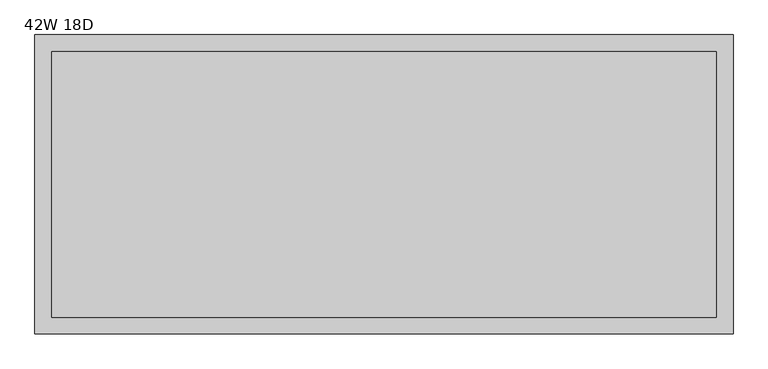
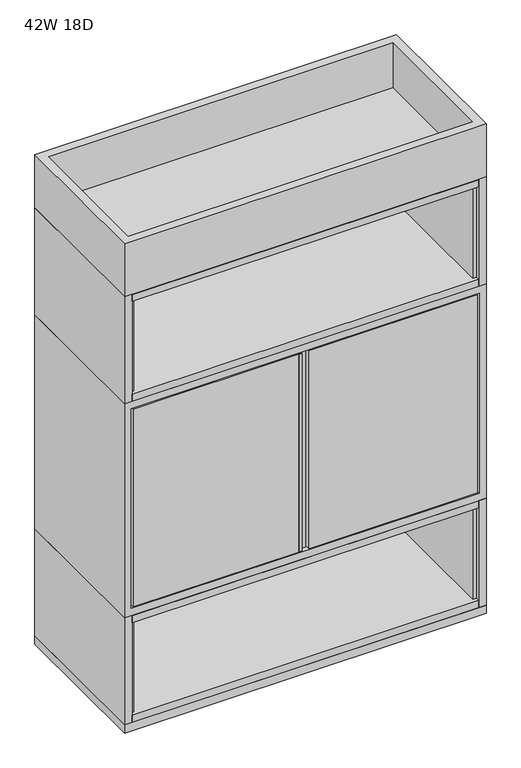
"""IFC4 building model written with IfcOpenShell, lengths in millimetres: furniture geometry, 42W 18D."""

from ifc_helpers import new_model, si_unit, frame, origin, origin_with_axes, place, context, project, spatial, polyline, outline, extrude, faceted_brep, source, transform, mapped, element, save


def furniture_42w_18d_bf7ccc89(model_context):
    return source(origin(), model_context, "Body", "SolidModel", [
        extrude(outline(polyline([(22.2249992, -10.9829958), (33.3501992, -10.9829958), (33.3501992, -446.1635518), (22.2249992, -446.1635518), (22.2249992, -10.9829958)])), frame((0.0, 0.0, 1047.75), z_axis=(0.0, 0.0, 1.0), x_axis=(1.0, 0.0, 0.0)), (0.0, 0.0, 1.0), 288.925),
        extrude(outline(polyline([(1033.4497758, -10.9829958), (1044.5749758, -10.9829958), (1044.5749758, -446.1635518), (1033.4497758, -446.1635518), (1033.4497758, -10.9829958)])), frame((0.0, 0.0, 1047.75), z_axis=(0.0, 0.0, 1.0), x_axis=(1.0, 0.0, 0.0)), (0.0, 0.0, 1.0), 288.925),
        extrude(outline(polyline([(22.2249992, 0.0), (1044.5749758, 0.0), (1044.5749758, -457.2), (22.2249992, -457.2), (22.2249992, 0.0)])), frame((0.0, 0.0, 1336.675), z_axis=(0.0, 0.0, 1.0), x_axis=(1.0, 0.0, 0.0)), (0.0, 0.0, 1.0), 21.4312258),
        extrude(outline(polyline([(22.2249992, 0.0), (1044.5749758, 0.0), (1044.5749758, -457.2), (22.2249992, -457.2), (22.2249992, 0.0)])), frame((0.0, 0.0, 1025.525), z_axis=(0.0, 0.0, 1.0), x_axis=(1.0, 0.0, 0.0)), (0.0, 0.0, 1.0), 22.225),
        extrude(outline(polyline([(0.0, -22.2249992), (0.0, 0.0), (457.2, 0.0), (457.2, -22.2249992), (0.0, -22.2249992)])), frame((22.2249992, 0.0, 1025.525), z_axis=(1.5489324636598933e-11, 0.0, 1.0), x_axis=(0.0, -1.0, 0.0)), (0.0, 0.0, 1.0), 333.375),
        extrude(outline(polyline([(1044.5749758, 0.0), (1066.8, 0.0), (1066.8, -457.2), (1044.5749758, -457.2), (1044.5749758, 0.0)])), frame((0.0, 0.0, 1025.525), z_axis=(0.0, 0.0, 1.0), x_axis=(1.0, 0.0, 0.0)), (0.0, 0.0, 1.0), 333.375),
        extrude(outline(polyline([(516.6641351, -457.2), (516.6641351, -442.2648), (517.5578941, -442.2648), (517.5578941, -456.3057436), (523.0141351, -456.3057436), (523.0141351, -457.2), (516.6641351, -457.2)])), frame((0.0, 0.0, 384.175), z_axis=(0.0, 0.0, 1.0), x_axis=(1.0, 0.0, 0.0)), (0.0, 0.0, 1.0), 615.95),
        faceted_brep([(25.4000008, -442.2648, 384.175), (513.0827476, -442.2648, 384.175), (513.0827476, -457.2, 384.175), (25.4000008, -457.2, 384.175), (0.0, 0.0, 1025.525), (0.0, -457.2, 1025.525), (1066.8, -457.2, 1025.525), (1066.8, 0.0, 1025.525), (0.0, -457.2, 358.775), (1066.8, -457.2, 358.775), (20.3200008, -457.2, 1003.3), (1046.4800242, -457.2, 1003.3), (1046.4800242, -457.2, 381.0), (20.3200008, -457.2, 381.0), (25.4000008, -457.2, 1000.125), (513.0827476, -457.2, 1000.125), (1041.4000242, -457.2, 384.175), (1041.4000242, -457.2, 1000.125), (544.8327476, -457.2, 1000.125), (544.8327476, -457.2, 384.175), (1066.8, 0.0, 358.775), (0.0, 0.0, 358.775), (1046.4800242, -442.2648, 1003.3), (20.3200008, -442.2648, 1003.3), (20.3200008, -442.2648, 381.0), (1046.4800242, -442.2648, 381.0), (25.4000008, -442.2648, 1000.125), (513.0827476, -442.2648, 1000.125), (544.8327476, -442.2648, 1000.125), (1041.4000242, -442.2648, 1000.125), (1041.4000242, -442.2648, 384.175), (544.8327476, -442.2648, 384.175)], [[[0, 1, 2, 3]], [[4, 5, 6, 7]], [[6, 5, 8, 9], [10, 11, 12, 13]], [[14, 3, 2, 15]], [[16, 17, 18, 19]], [[4, 7, 20, 21]], [[22, 23, 24, 25], [0, 26, 27, 1], [28, 29, 30, 31]], [[17, 16, 30, 29]], [[29, 28, 18, 17]], [[28, 31, 19, 18]], [[21, 20, 9, 8]], [[5, 4, 21, 8]], [[7, 6, 9, 20]], [[10, 23, 22, 11]], [[24, 13, 12, 25]], [[3, 14, 26, 0]], [[23, 10, 13, 24]], [[11, 22, 25, 12]], [[31, 30, 16, 19]], [[1, 27, 15, 2]], [[27, 26, 14, 15]]]),
        extrude(outline(polyline([(22.2249992, -10.9829958), (33.3501992, -10.9829958), (33.3501992, -446.1635518), (22.2249992, -446.1635518), (22.2249992, -10.9829958)])), frame((0.0, 0.0, 47.625), z_axis=(0.0, 0.0, 1.0), x_axis=(1.0, 0.0, 0.0)), (0.0, 0.0, 1.0), 288.925),
        extrude(outline(polyline([(1033.4497758, -10.9829958), (1044.5749758, -10.9829958), (1044.5749758, -446.1635518), (1033.4497758, -446.1635518), (1033.4497758, -10.9829958)])), frame((0.0, 0.0, 47.625), z_axis=(0.0, 0.0, 1.0), x_axis=(1.0, 0.0, 0.0)), (0.0, 0.0, 1.0), 288.925),
        extrude(outline(polyline([(22.2249992, 0.0), (1044.5749758, 0.0), (1044.5749758, -457.2), (22.2249992, -457.2), (22.2249992, 0.0)])), frame((0.0, 0.0, 336.55), z_axis=(0.0, 0.0, 1.0), x_axis=(1.0, 0.0, 0.0)), (0.0, 0.0, 1.0), 21.4312258),
        extrude(outline(polyline([(22.2249992, 0.0), (1044.5749758, 0.0), (1044.5749758, -457.2), (22.2249992, -457.2), (22.2249992, 0.0)])), frame((0.0, 0.0, 25.4), z_axis=(0.0, 0.0, 1.0), x_axis=(1.0, 0.0, 0.0)), (0.0, 0.0, 1.0), 22.225),
        extrude(outline(polyline([(0.0, -22.2249992), (0.0, 0.0), (457.2, 0.0), (457.2, -22.2249992), (0.0, -22.2249992)])), frame((22.2249992, 0.0, 25.4), z_axis=(1.5489324636598933e-11, 0.0, 1.0), x_axis=(0.0, -1.0, 0.0)), (0.0, 0.0, 1.0), 333.375),
        extrude(outline(polyline([(1044.5749758, 0.0), (1066.8, 0.0), (1066.8, -457.2), (1044.5749758, -457.2), (1044.5749758, 0.0)])), frame((0.0, 0.0, 25.4), z_axis=(0.0, 0.0, 1.0), x_axis=(1.0, 0.0, 0.0)), (0.0, 0.0, 1.0), 333.375),
        extrude(outline(polyline([(1066.8, 0.0), (1066.8, -457.2), (0.0, -457.2), (0.0, 0.0), (1066.8, 0.0)]), holes=[polyline([(1064.26, -2.54), (2.54, -2.54), (2.54, -436.88), (1064.26, -436.88), (1064.26, -2.54)])]), origin_with_axes(), (0.0, 0.0, 1.0), 25.4),
        faceted_brep([(1066.8, 0.0, 1524.0000061), (0.0, 0.0, 1524.0000061), (0.0, -457.2, 1524.0000061), (1066.8, -457.2, 1524.0000061), (1041.4, -25.4, 1524.0000061), (1041.4, -431.8, 1524.0000061), (25.4, -431.8, 1524.0000061), (25.4, -25.4, 1524.0000061), (1066.8, 0.0, 1358.9), (1066.8, -457.2, 1358.9), (0.0, -457.2, 1358.9), (0.0, 0.0, 1358.9), (1041.4, -25.4, 1384.3000008), (1041.4, -431.8, 1384.3000008), (25.4, -431.8, 1384.3000008), (25.4, -25.4, 1384.3000008)], [[[0, 1, 2, 3], [4, 5, 6, 7]], [[8, 9, 10, 11]], [[1, 0, 8, 11]], [[2, 1, 11, 10]], [[3, 2, 10, 9]], [[0, 3, 9, 8]], [[5, 4, 12, 13]], [[6, 5, 13, 14]], [[7, 6, 14, 15]], [[4, 7, 15, 12]], [[13, 12, 15, 14]]]),
    ])


if __name__ == "__main__":
    model = new_model("IFC4")
    model_context = context("Model", 3, world=origin())
    ifc_project = project(units=[si_unit("LENGTHUNIT", "METRE", prefix="MILLI")], contexts=[model_context])
    site = spatial("IfcSite", under=ifc_project)
    building = spatial("IfcBuilding", under=site)
    placement = place(None, origin())
    furniture_42w_18d_shape = furniture_42w_18d_bf7ccc89(model_context)
    element("IfcFurniture", 1, ObjectType="42W 18D", at=placement, inside=building, context=model_context, shape_type="MappedRepresentation", body=[
        mapped(furniture_42w_18d_shape, transform((0.0, 0.0, 0.0), x_axis=(1.0, 0.0, 0.0), y_axis=(0.0, 1.0, 0.0), z_axis=(0.0, 0.0, 1.0))),
    ])
    save(model, "model.ifc")
